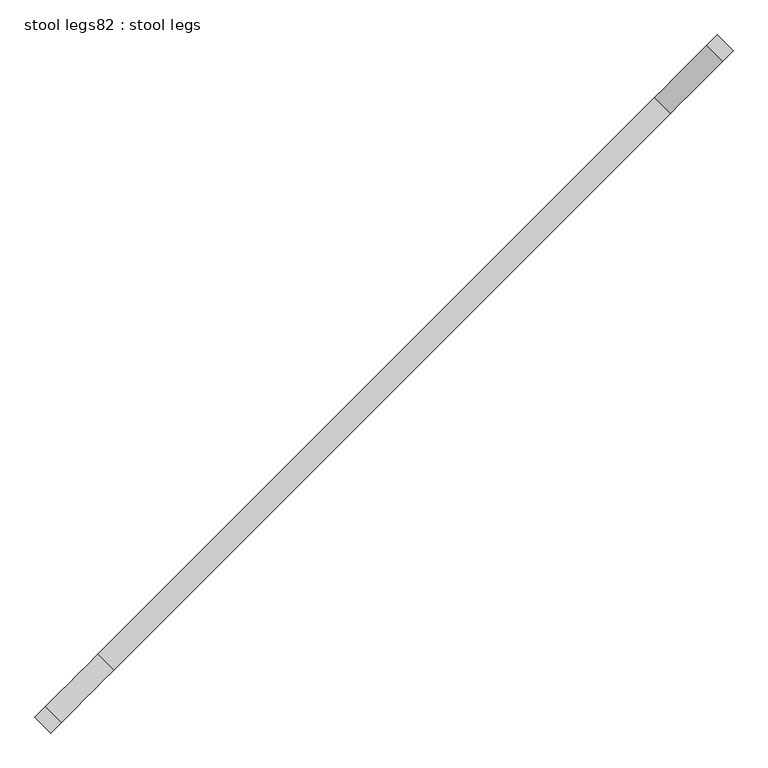
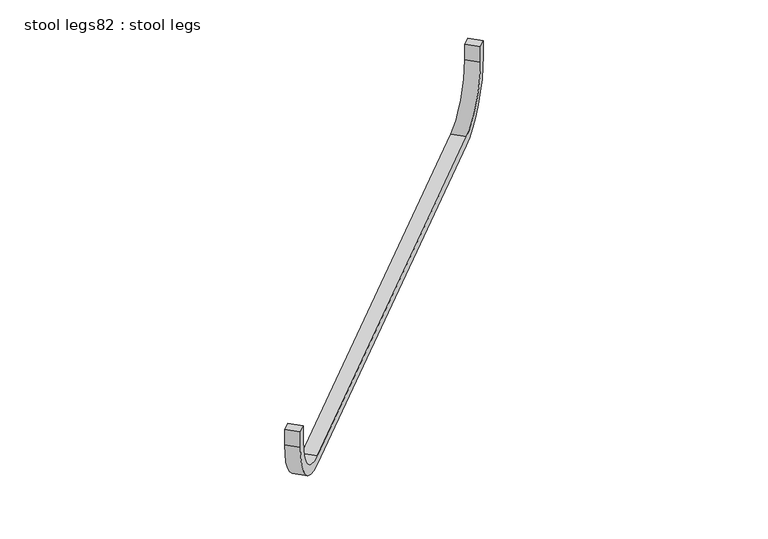
"""IFC4 building model written with IfcOpenShell, lengths in millimetres: furniture geometry, stool legs82 : stool legs."""

from ifc_helpers import new_model, si_unit, point, frame, frame_2d, origin, place, context, project, spatial, polyline, circle_curve, trimmed, segment, composite_curve, outline, extrude, source, transform, mapped, element, save


def stool_legs82_stool_legs_ec722d8c(model_context):
    return source(origin(), model_context, "Body", "SweptSolid", [
        extrude(outline(composite_curve([segment(polyline([(-44.45, 0.0), (0.0, 0.0), (0.0, -25.3999999), (-44.45, -25.3999999)]), True, "CONTINUOUS"), segment(trimmed(circle_curve(frame_2d((-44.45, 127.0)), 152.4), [point((-44.45, -25.3999999))], [point((-196.85, 127.0))], False, "CARTESIAN"), True, "CONTINUOUS"), segment(polyline([(-196.85, 127.0), (-196.85, 1473.2000001)]), True, "CONTINUOUS"), segment(trimmed(circle_curve(frame_2d((-44.45, 1473.2000001)), 152.4), [point((-196.85, 1473.2000001))], [point((-44.45, 1625.6))], False, "CARTESIAN"), True, "CONTINUOUS"), segment(polyline([(-44.45, 1625.6), (0.0, 1625.6), (0.0, 1600.2000001), (-44.45, 1600.2000001)]), True, "CONTINUOUS"), segment(trimmed(circle_curve(frame_2d((-44.45, 1473.2000001)), 127.0), [point((-44.45, 1600.2000001))], [point((-171.45, 1473.2000001))], True, "CARTESIAN"), True, "CONTINUOUS"), segment(polyline([(-171.45, 1473.2000001), (-171.45, 127.0)]), True, "CONTINUOUS"), segment(trimmed(circle_curve(frame_2d((-44.45, 127.0)), 127.0), [point((-171.45, 127.0))], [point((-44.45, 0.0))], True, "CARTESIAN"), True, "CONTINUOUS")], self_intersect=False)), frame((-121523.1886756, -66304.6914678, 457.2), z_axis=(-0.7071067811865617, 0.7071067811865334, 0.0), x_axis=(1.5591337744677947e-12, 1.5591337744678573e-12, 1.0)), (0.0, 0.0, 1.0), 38.1),
    ])


if __name__ == "__main__":
    model = new_model("IFC4")
    model_context = context("Model", 3, world=origin())
    ifc_project = project(units=[si_unit("LENGTHUNIT", "METRE", prefix="MILLI")], contexts=[model_context])
    site = spatial("IfcSite", under=ifc_project)
    building = spatial("IfcBuilding", under=site)
    placement = place(None, origin())
    stool_legs82_stool_legs_shape = stool_legs82_stool_legs_ec722d8c(model_context)
    element("IfcFurniture", 1, ObjectType="stool legs82 : stool legs", at=placement, inside=building, context=model_context, shape_type="MappedRepresentation", body=[
        mapped(stool_legs82_stool_legs_shape, transform((0.0, 0.0, 0.0), x_axis=(1.0, 0.0, 0.0), y_axis=(0.0, 1.0, 0.0), z_axis=(0.0, 0.0, 1.0))),
    ])
    save(model, "model.ifc")
